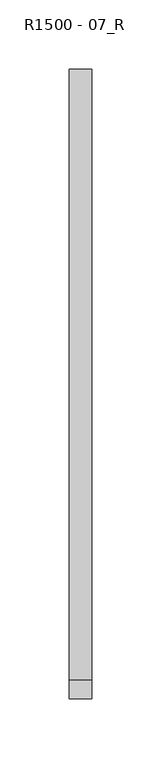
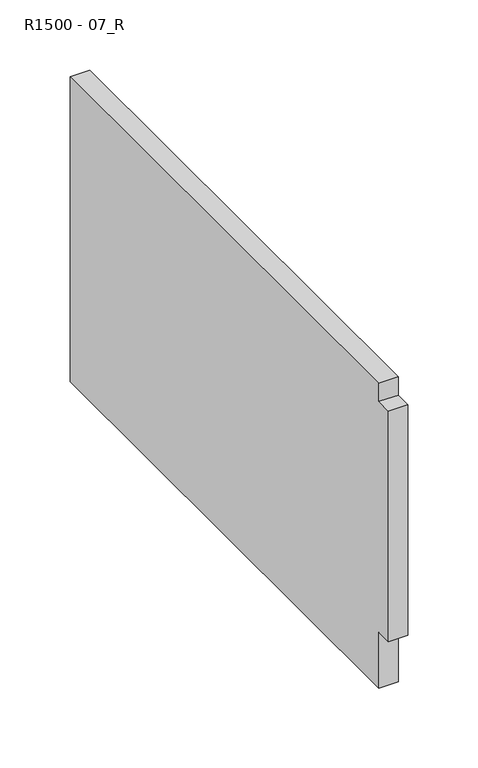
"""IFC4 building model written with IfcOpenShell, lengths in millimetres: proxy geometry, R1500 - 07_R."""

from ifc_helpers import new_model, si_unit, frame, origin, place, context, project, spatial, polyline, outline, extrude, source, transform, mapped, element, save


def r1500_07_r_f8f97946(model_context):
    return source(origin(), model_context, "Body", "SweptSolid", [
        extrude(outline(polyline([(-213.088, -20.35), (-213.088, 28.55), (-226.85, 28.55), (-226.85, 229.3012179), (-213.088, 229.3012179), (-213.088, 245.3), (226.85, 245.3), (226.85, -20.35), (-213.088, -20.35)])), frame((0.0, 0.0, 0.0), z_axis=(1.0, 0.0, 0.0), x_axis=(0.0, 1.0, 0.0)), (0.0, 0.0, 1.0), 16.0),
    ])


if __name__ == "__main__":
    model = new_model("IFC4")
    model_context = context("Model", 3, world=origin())
    ifc_project = project(units=[si_unit("LENGTHUNIT", "METRE", prefix="MILLI")], contexts=[model_context])
    site = spatial("IfcSite", under=ifc_project)
    building = spatial("IfcBuilding", under=site)
    placement = place(None, origin())
    r1500_07_r_shape = r1500_07_r_f8f97946(model_context)
    element("IfcBuildingElementProxy", 1, Name="R1500 - 07_R", ObjectType="R1500 - 07_R", at=placement, inside=building, context=model_context, shape_type="MappedRepresentation", body=[
        mapped(r1500_07_r_shape, transform((0.0, 0.0, 0.0), x_axis=(1.0, 0.0, 0.0), y_axis=(0.0, 1.0, 0.0), z_axis=(0.0, 0.0, 1.0))),
    ])
    save(model, "model.ifc")
